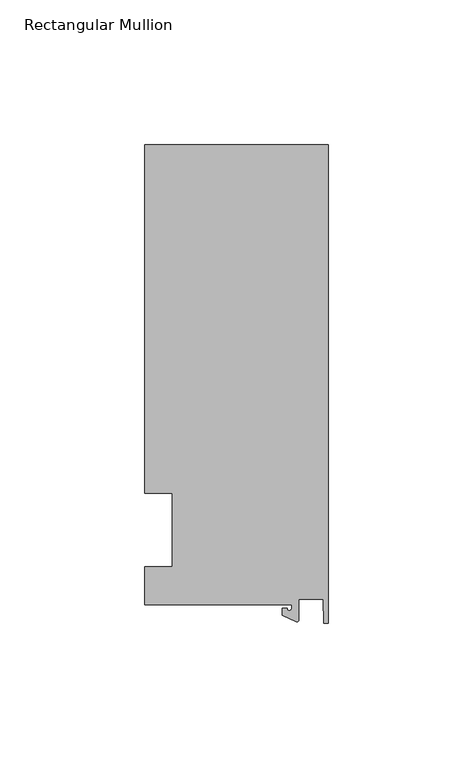
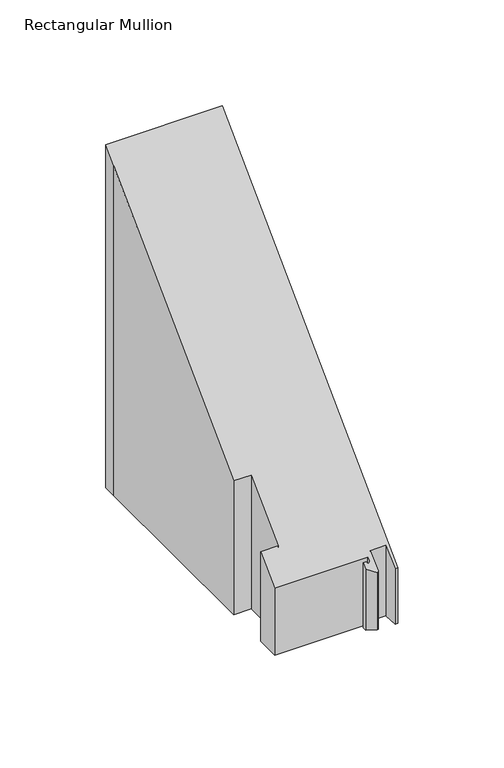
"""IFC4 building model written with IfcOpenShell, lengths in millimetres: member geometry, Rectangular Mullion."""

from ifc_helpers import new_model, si_unit, frame, origin, place, context, project, spatial, polyline, circle_curve, ellipse_curve, source, transform, mapped, element, save
from ifc_brep_helpers import plane_surface, cylinder_surface, revolved_surface, advanced_brep


def rectangular_mullion_922e3ac3(model_context):
    return source(origin(), model_context, "Body", "AdvancedBrep", [
        advanced_brep(
        [(-12.6173814, -25.796875, -64.44615), (-63.5, -25.796875, -64.44615), (-63.5, -12.7, -64.44615), (-53.975, -12.7, -64.44615), (-53.975, 12.7, -64.44615), (-63.5, 12.7, -64.44615), (-63.5, 125.8114907, -64.44615), (-63.5, 133.34365, -64.44615), (0.0, 133.34365, -64.44615), (0.0, -32.288874, -64.44615), (-1.5658966, -32.288874, -64.44615), (-1.7144124, -23.9227662, -64.44615), (-10.2297814, -23.9227662, -64.44615), (-10.2297814, -31.2414327, -64.44615), (-10.9524715, -31.7018371, -64.44615), (-15.7923814, -29.44495, -64.44615), (-15.7923814, -27.0827507, -64.44615), (-14.2048814, -27.0827507, -64.44615), (-12.6173814, -27.0827507, -64.44615), (-12.6173814, -27.0827507, -27.0827507), (-12.6173814, -25.796875, -25.796875), (-14.2048814, -27.0827507, -27.0827507), (-15.7923814, -27.0827507, -27.0827507), (-15.7923814, -29.44495, -29.44495), (-10.9524715, -31.7018371, -31.7018371), (-10.2297814, -31.2414327, -31.2414327), (-10.2297814, -23.9227662, -23.9227662), (-1.7144124, -23.9227662, -23.9227662), (-1.5658966, -32.288874, -32.288874), (0.0, -32.288874, -32.288874), (0.0, 133.34365, 133.34365), (-63.5, 133.34365, 133.34365), (-63.5, 12.7, 12.7), (-63.5, 125.8114907, 125.8114907), (-53.975, 12.7, 12.7), (-53.975, -12.7, -12.7), (-63.5, -12.7, -12.7), (-63.5, -25.796875, -25.796875)],
        [
            (0, 1),
            (1, 2),
            (2, 3),
            (3, 4),
            (4, 5),
            (5, 6),
            (6, 7),
            (7, 8),
            (8, 9),
            (9, 10),
            (10, 11),
            (11, 12),
            (12, 13),
            (13, 14, circle_curve(frame((-10.7377814, -31.2414327, -64.44615), z_axis=(0.0, 0.0, -1.0), x_axis=(-1.0, 0.0, 0.0)), 0.508)),
            (14, 15),
            (15, 16),
            (16, 17),
            (17, 18, circle_curve(frame((-13.4111314, -27.0827507, -64.44615), z_axis=(0.0, 0.0, 1.0), x_axis=(-1.0, 0.0, 0.0)), 0.79375)),
            (18, 0),
            (19, 20),
            (20, 0),
            (18, 19),
            (21, 19, ellipse_curve(frame((-13.4111314, -27.0827507, -27.0827507), z_axis=(0.0, -0.7071067811865536, 0.7071067811865416), x_axis=(0.0, -0.7071067811865416, -0.7071067811865533)), 1.122532, 0.79375)),
            (17, 21),
            (22, 21),
            (16, 22),
            (23, 22),
            (15, 23),
            (24, 23),
            (14, 24),
            (25, 24, ellipse_curve(frame((-10.7377814, -31.2414327, -31.2414327), z_axis=(0.0, 0.7071067811865536, -0.7071067811865416), x_axis=(0.0, 0.7071067811865416, 0.7071067811865533)), 0.7184205, 0.508)),
            (13, 25),
            (26, 25),
            (12, 26),
            (27, 26),
            (11, 27),
            (28, 27),
            (10, 28),
            (29, 28),
            (9, 29),
            (30, 29),
            (8, 30),
            (31, 30),
            (7, 31),
            (32, 33),
            (33, 6),
            (5, 32),
            (34, 32),
            (4, 34),
            (35, 34),
            (3, 35),
            (36, 35),
            (2, 36),
            (37, 36),
            (1, 37),
            (20, 37),
            (31, 33),
        ],
        [
            plane_surface(frame((0.0, -147.6914994, -64.44615), z_axis=(0.0, 0.0, -1.0), x_axis=(-1.0, 0.0, 0.0))),
            plane_surface(frame((-12.6173814, -25.796875, 0.0), z_axis=(-1.0, 0.0, 0.0), x_axis=(0.0, 0.0, -1.0))),
            revolved_surface(polyline([(-14.2048814, -27.0827507, -64.44615), (-14.2048814, -27.0827507, -26.289000710701096)]), (-13.4111314, -27.0827507, 0.0), (0.0, 0.0, -1.0)),
            plane_surface(frame((-14.2048814, -27.0827507, 0.0), z_axis=(0.0, 1.0, 0.0), x_axis=(0.0, 0.0, -1.0))),
            plane_surface(frame((-15.7923814, -27.0827507, 0.0), z_axis=(-1.0, 0.0, 0.0), x_axis=(0.0, 0.0, -1.0))),
            plane_surface(frame((-15.7923814, -29.44495, 0.0), z_axis=(-0.4226182617406985, -0.9063077870366505, 0.0), x_axis=(0.0, 0.0, -1.0))),
            cylinder_surface(frame((-10.7377814, -31.2414327, 0.0), z_axis=(0.0, 0.0, 1.0), x_axis=(-1.0, 0.0, 0.0)), 0.508),
            plane_surface(frame((-10.2297814, -31.2414327, 0.0), z_axis=(1.0, 0.0, 0.0), x_axis=(0.0, 0.0, -1.0))),
            plane_surface(frame((-10.2297814, -23.9227662, 0.0), z_axis=(0.0, -1.0, 0.0), x_axis=(0.0, 0.0, -1.0))),
            plane_surface(frame((-1.7144124, -23.9227662, 0.0), z_axis=(-0.9998424690407919, -0.017749284560600327, 0.0), x_axis=(0.0, 0.0, -1.0))),
            plane_surface(frame((-1.5658966, -32.288874, 0.0), z_axis=(0.0, -1.0, 0.0), x_axis=(0.0, 0.0, -1.0))),
            plane_surface(frame((0.0, -32.288874, 0.0), z_axis=(1.0, 0.0, 0.0), x_axis=(0.0, 0.0, -1.0))),
            plane_surface(frame((0.0, 133.34365, 0.0), z_axis=(0.0, 1.0, 0.0), x_axis=(0.0, 0.0, -1.0))),
            plane_surface(frame((-63.5, 125.8114907, 0.0), z_axis=(-1.0, 0.0, 0.0), x_axis=(0.0, 0.0, -1.0))),
            plane_surface(frame((-63.5, 12.7, 0.0), z_axis=(0.0, -1.0, 0.0), x_axis=(0.0, 0.0, -1.0))),
            plane_surface(frame((-53.975, 12.7, 0.0), z_axis=(-1.0, 0.0, 0.0), x_axis=(0.0, 0.0, -1.0))),
            plane_surface(frame((-53.975, -12.7, 0.0), z_axis=(0.0, 1.0, 0.0), x_axis=(0.0, 0.0, -1.0))),
            plane_surface(frame((-63.5, -12.7, 0.0), z_axis=(-1.0, 0.0, 0.0), x_axis=(0.0, 0.0, -1.0))),
            plane_surface(frame((-63.5, -25.796875, 0.0), z_axis=(0.0, -1.0, 0.0), x_axis=(0.0, 0.0, -1.0))),
            plane_surface(frame((304.8, 0.0, 0.0), z_axis=(0.0, -0.7071067811865536, 0.7071067811865416), x_axis=(0.0, -0.7071067811865416, -0.7071067811865536))),
            plane_surface(frame((-63.5, 133.34365, 0.0), z_axis=(-1.0, 0.0, 0.0), x_axis=(0.0, 0.0, -1.0))),
        ],
        [
            (0, [[1, 2, 3, 4, 5, 6, 7, 8, 9, 10, 11, 12, 13, 14, 15, 16, 17, 18, 19]]),
            (1, [[20, 21, -19, 22]]),
            (2, [[23, -22, -18, 24]]),
            (3, [[25, -24, -17, 26]]),
            (4, [[27, -26, -16, 28]]),
            (5, [[29, -28, -15, 30]]),
            (6, [[31, -30, -14, 32]]),
            (7, [[33, -32, -13, 34]]),
            (8, [[35, -34, -12, 36]]),
            (9, [[37, -36, -11, 38]]),
            (10, [[39, -38, -10, 40]]),
            (11, [[41, -40, -9, 42]]),
            (12, [[43, -42, -8, 44]]),
            (13, [[45, 46, -6, 47]]),
            (14, [[48, -47, -5, 49]]),
            (15, [[50, -49, -4, 51]]),
            (16, [[52, -51, -3, 53]]),
            (17, [[54, -53, -2, 55]]),
            (18, [[56, -55, -1, -21]]),
            (19, [[-20, -23, -25, -27, -29, -31, -33, -35, -37, -39, -41, -43, 57, -45, -48, -50, -52, -54, -56]]),
            (20, [[-57, -44, -7, -46]]),
        ],
    ),
    ])


if __name__ == "__main__":
    model = new_model("IFC4")
    model_context = context("Model", 3, world=origin())
    ifc_project = project(units=[si_unit("LENGTHUNIT", "METRE", prefix="MILLI")], contexts=[model_context])
    site = spatial("IfcSite", under=ifc_project)
    building = spatial("IfcBuilding", under=site)
    placement = place(None, origin())
    rectangular_mullion_shape = rectangular_mullion_922e3ac3(model_context)
    element("IfcMember", 1, ObjectType="Rectangular Mullion", at=placement, inside=building, context=model_context, shape_type="MappedRepresentation", body=[
        mapped(rectangular_mullion_shape, transform((0.0, 0.0, 0.0), x_axis=(1.0, 0.0, 0.0), y_axis=(0.0, 1.0, 0.0), z_axis=(0.0, 0.0, 1.0))),
    ])
    save(model, "model.ifc")
